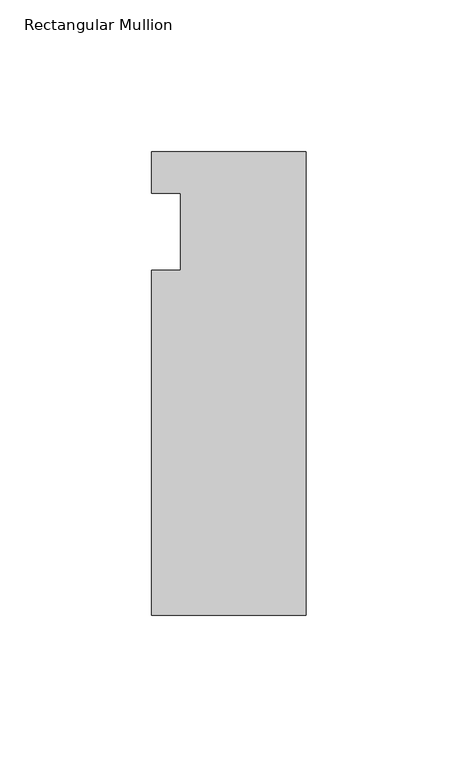
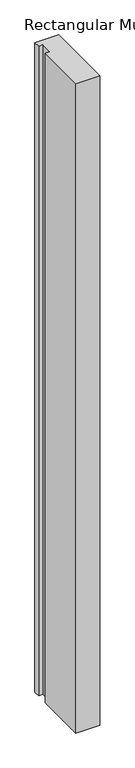
"""IFC4 building model written with IfcOpenShell, lengths in millimetres: member geometry, Rectangular Mullion."""

from ifc_helpers import new_model, si_unit, frame, origin, place, context, project, spatial, polyline, outline, extrude, source, transform, mapped, element, save


def rectangular_mullion_faa61d35(model_context):
    return source(origin(), model_context, "Body", "SweptSolid", [
        extrude(outline(polyline([(-50.8, 26.19375), (0.0, 26.19375), (0.0, -126.20625), (-50.8, -126.20625), (-50.8, -12.7), (-41.275, -12.7), (-41.275, 12.7), (-50.8, 12.7), (-50.8, 26.19375)])), frame((0.0, 0.0, -1473.2), z_axis=(0.0, 0.0, 1.0), x_axis=(1.0, 0.0, 0.0)), (0.0, 0.0, 1.0), 1473.2),
    ])


if __name__ == "__main__":
    model = new_model("IFC4")
    model_context = context("Model", 3, world=origin())
    ifc_project = project(units=[si_unit("LENGTHUNIT", "METRE", prefix="MILLI")], contexts=[model_context])
    site = spatial("IfcSite", under=ifc_project)
    building = spatial("IfcBuilding", under=site)
    placement = place(None, origin())
    rectangular_mullion_shape = rectangular_mullion_faa61d35(model_context)
    element("IfcMember", 1, ObjectType="Rectangular Mullion", at=placement, inside=building, context=model_context, shape_type="MappedRepresentation", body=[
        mapped(rectangular_mullion_shape, transform((0.0, 0.0, 0.0), x_axis=(1.0, 0.0, 0.0), y_axis=(0.0, 1.0, 0.0), z_axis=(0.0, 0.0, 1.0))),
    ])
    save(model, "model.ifc")
